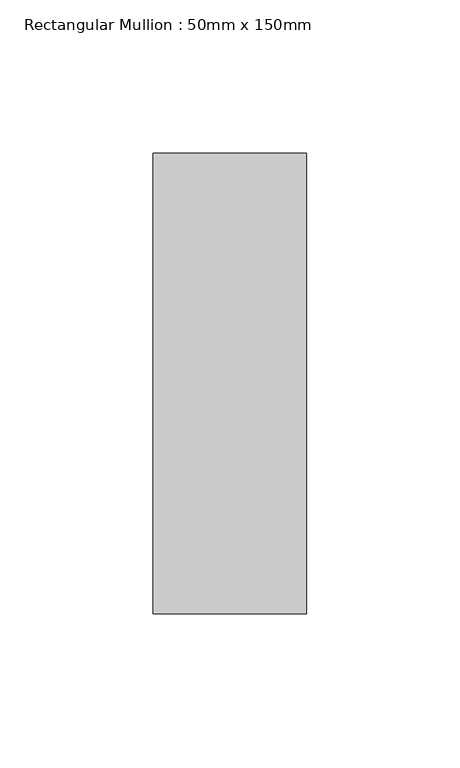
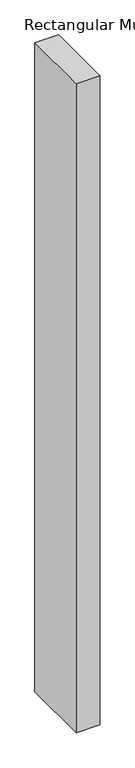
"""IFC4 building model written with IfcOpenShell, lengths in millimetres: member geometry, Rectangular Mullion : 50mm x 150mm."""

from ifc_helpers import new_model, si_unit, frame, origin, place, context, project, spatial, polyline, outline, extrude, source, transform, mapped, element, save


def rectangular_mullion_50mm_x_150mm_9faa9301(model_context):
    return source(origin(), model_context, "Body", "SweptSolid", [
        extrude(outline(polyline([(25.0, 75.0), (25.0, -75.0), (-25.0, -75.0), (-25.0, 75.0), (25.0, 75.0)])), frame((0.0, 0.0, -1445.0000002), z_axis=(0.0, 0.0, 1.0), x_axis=(1.0, 0.0, 0.0)), (0.0, 0.0, 1.0), 1445.0000002),
    ])


if __name__ == "__main__":
    model = new_model("IFC4")
    model_context = context("Model", 3, world=origin())
    ifc_project = project(units=[si_unit("LENGTHUNIT", "METRE", prefix="MILLI")], contexts=[model_context])
    site = spatial("IfcSite", under=ifc_project)
    building = spatial("IfcBuilding", under=site)
    placement = place(None, origin())
    rectangular_mullion_50mm_x_150mm_shape = rectangular_mullion_50mm_x_150mm_9faa9301(model_context)
    element("IfcMember", 1, ObjectType="Rectangular Mullion : 50mm x 150mm", at=placement, inside=building, context=model_context, shape_type="MappedRepresentation", body=[
        mapped(rectangular_mullion_50mm_x_150mm_shape, transform((0.0, 0.0, 0.0), x_axis=(1.0, 0.0, 0.0), y_axis=(0.0, 1.0, 0.0), z_axis=(0.0, 0.0, 1.0))),
    ])
    save(model, "model.ifc")
